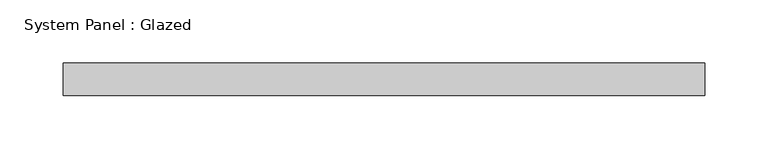
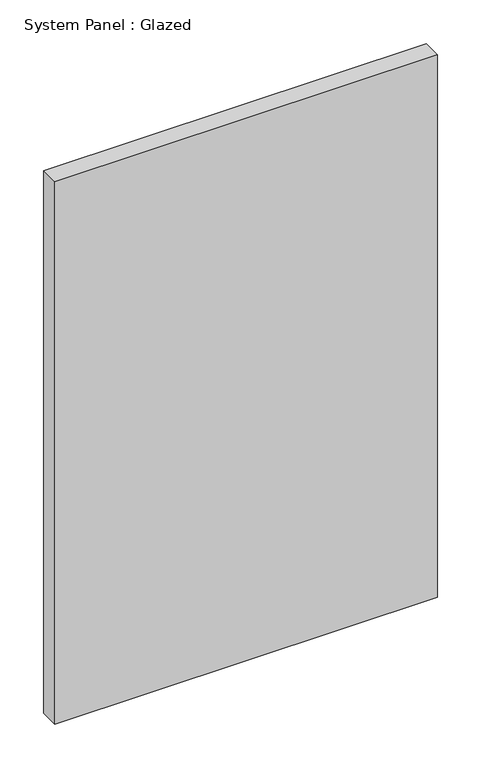
"""IFC4 building model written with IfcOpenShell, lengths in millimetres: plate geometry, System Panel : Glazed."""

from ifc_helpers import new_model, si_unit, origin, origin_with_axes, place, context, project, spatial, polyline, outline, extrude, source, transform, mapped, element, save


def system_panel_glazed_48eb7b3c(model_context):
    return source(origin(), model_context, "Body", "SweptSolid", [
        extrude(outline(polyline([(252.375, 19.05), (-252.375, 19.05), (-252.375, 44.45), (252.375, 44.45), (252.375, 19.05)])), origin_with_axes(), (0.0, 0.0, 1.0), 756.5),
    ])


if __name__ == "__main__":
    model = new_model("IFC4")
    model_context = context("Model", 3, world=origin())
    ifc_project = project(units=[si_unit("LENGTHUNIT", "METRE", prefix="MILLI")], contexts=[model_context])
    site = spatial("IfcSite", under=ifc_project)
    building = spatial("IfcBuilding", under=site)
    placement = place(None, origin())
    system_panel_glazed_shape = system_panel_glazed_48eb7b3c(model_context)
    element("IfcPlate", 1, ObjectType="System Panel : Glazed", at=placement, inside=building, context=model_context, shape_type="MappedRepresentation", body=[
        mapped(system_panel_glazed_shape, transform((0.0, 0.0, 0.0), x_axis=(1.0, 0.0, 0.0), y_axis=(0.0, 1.0, 0.0), z_axis=(0.0, 0.0, 1.0))),
    ])
    save(model, "model.ifc")
